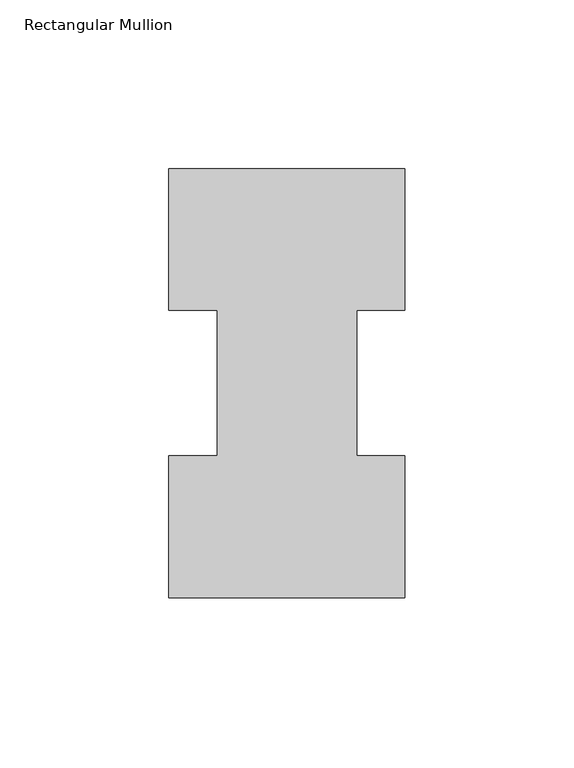
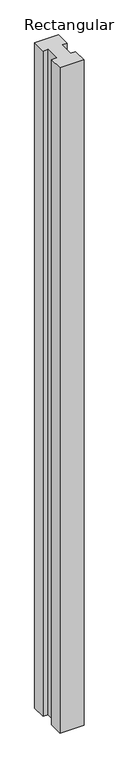
"""IFC4 building model written with IfcOpenShell, lengths in millimetres: member geometry, Rectangular Mullion."""

from ifc_helpers import new_model, si_unit, frame, origin, place, context, project, spatial, polyline, outline, extrude, source, transform, mapped, element, save


def rectangular_mullion_a3d41bdf(model_context):
    return source(origin(), model_context, "Body", "SweptSolid", [
        extrude(outline(polyline([(-34.925, 126.5187614), (34.925, 126.5187614), (34.925, 84.6335937), (20.6375, 84.6335937), (20.6375, 41.5938614), (34.925, 41.5938614), (34.925, -0.4812386), (-34.925, -0.4812386), (-34.925, 41.5938614), (-20.6375, 41.5938614), (-20.6375, 84.6335937), (-34.925, 84.6335937), (-34.925, 126.5187614)])), frame((0.0, 0.0, -2044.7176747), z_axis=(0.0, 0.0, 1.0), x_axis=(1.0, 0.0, 0.0)), (0.0, 0.0, 1.0), 2044.7176747),
    ])


if __name__ == "__main__":
    model = new_model("IFC4")
    model_context = context("Model", 3, world=origin())
    ifc_project = project(units=[si_unit("LENGTHUNIT", "METRE", prefix="MILLI")], contexts=[model_context])
    site = spatial("IfcSite", under=ifc_project)
    building = spatial("IfcBuilding", under=site)
    placement = place(None, origin())
    rectangular_mullion_shape = rectangular_mullion_a3d41bdf(model_context)
    element("IfcMember", 1, ObjectType="Rectangular Mullion", at=placement, inside=building, context=model_context, shape_type="MappedRepresentation", body=[
        mapped(rectangular_mullion_shape, transform((0.0, 0.0, 0.0), x_axis=(1.0, 0.0, 0.0), y_axis=(0.0, 1.0, 0.0), z_axis=(0.0, 0.0, 1.0))),
    ])
    save(model, "model.ifc")
